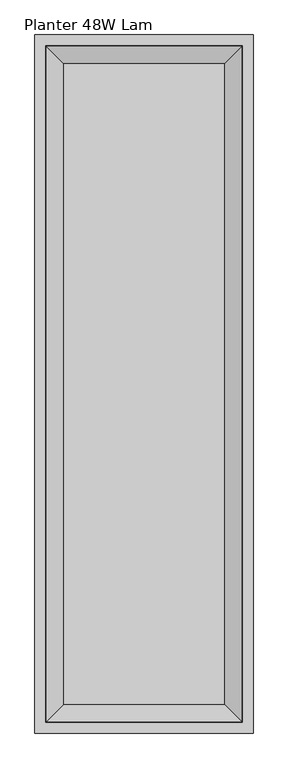
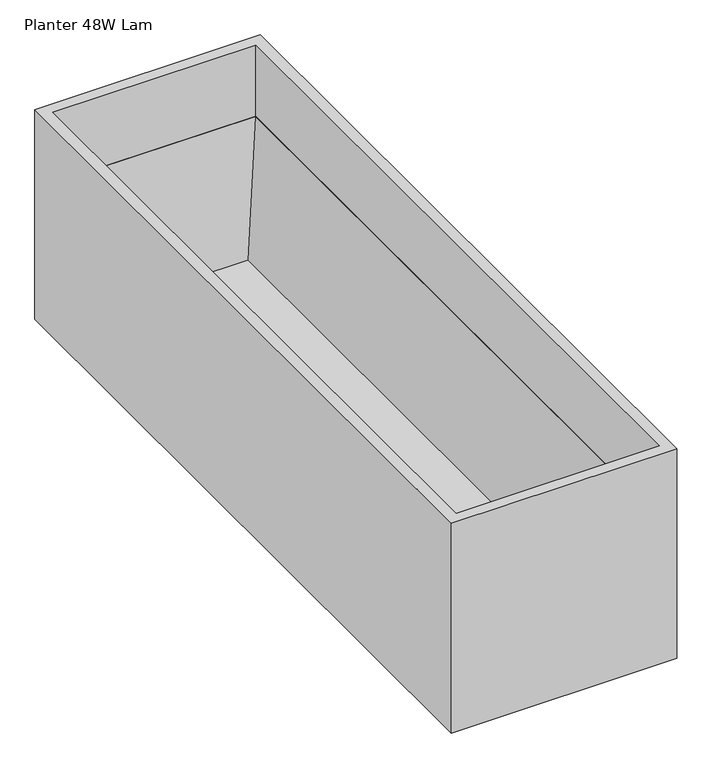
"""IFC4 building model written with IfcOpenShell, lengths in millimetres: furniture geometry, Planter 48W Lam."""

import ifcopenshell
import ifcopenshell.guid

model = None  # the IFC model being written
_history = None  # IfcOwnerHistory: only IFC2X3 demands one
_inside = {}  # id of a spatial element -> (the spatial element, [elements in it])
_under = {}  # id of a project, library or spatial element -> (it, [spatial elements below it])
_declared = {}  # id of a project -> (the project, [libraries it declares])
_typed = {}  # id of a type object -> (the type object, [elements of that type])
_made_of = {}  # id of a material, layer set ... -> (it, [elements and type objects made of it])


def new_model(schema):
    """Start an empty IFC model of exactly this schema.

    Asked for "IFC4X3", IfcOpenShell would pick the latest addendum, in which some entities
    have other attributes; the version numbers below select the first issue.
    IFC2X3 requires an IfcOwnerHistory on every rooted entity: one is made here for all.
    """
    global model, _history
    if schema == "IFC4X3":
        model = ifcopenshell.file(schema_version=(4, 3, 0, 0))
    else:
        model = ifcopenshell.file(schema=schema)
    _inside.clear()
    _under.clear()
    _declared.clear()
    _typed.clear()
    _made_of.clear()
    _history = None
    if model.schema == "IFC2X3":
        org = make("IfcOrganization", Name="unknown")
        user = make(
            "IfcPersonAndOrganization",
            ThePerson=make("IfcPerson", FamilyName="unknown"),
            TheOrganization=org,
        )
        app = make(
            "IfcApplication",
            ApplicationDeveloper=org,
            Version="unknown",
            ApplicationFullName="unknown",
            ApplicationIdentifier="unknown",
        )
        _history = make(
            "IfcOwnerHistory",
            OwningUser=user,
            OwningApplication=app,
            ChangeAction="ADDED",
            CreationDate=0,
        )
    return model


def make(cls, **values):
    """One entity of the class cls with the attributes given. An attribute that is None is left unset."""
    return model.create_entity(
        cls, **{name: value for name, value in values.items() if value is not None}
    )


def rooted(cls, **values):
    """An entity with a GlobalId (a new one), such as an element, a storey or a relation."""
    return make(cls, GlobalId=ifcopenshell.guid.new(), OwnerHistory=_history, **values)


def si_unit(unit_type, name, prefix=None):
    """IfcSIUnit, for example si_unit("LENGTHUNIT", "METRE", prefix="MILLI")."""
    return make("IfcSIUnit", UnitType=unit_type, Prefix=prefix, Name=name)


def assignment(units):
    """IfcUnitAssignment: the units of a project."""
    return None if units is None else make("IfcUnitAssignment", Units=units)


def point(xyz):
    """IfcCartesianPoint."""
    return None if xyz is None else make("IfcCartesianPoint", Coordinates=xyz)


def direction(xyz):
    """IfcDirection."""
    return None if xyz is None else make("IfcDirection", DirectionRatios=xyz)


def frame(location, z_axis=None, x_axis=None):
    """IfcAxis2Placement3D, a coordinate frame: its origin and axes. An axis left out is left unset."""
    return make(
        "IfcAxis2Placement3D",
        Location=point(location),
        Axis=direction(z_axis),
        RefDirection=direction(x_axis),
    )


def origin():
    """The frame at (0, 0, 0) with its axes left unset."""
    return frame((0.0, 0.0, 0.0))


def place(relative_to, where):
    """IfcLocalPlacement: puts the frame where relative to a parent placement (None: the world)."""
    return make(
        "IfcLocalPlacement", PlacementRelTo=relative_to, RelativePlacement=where
    )


def context(
    kind, dimensions, precision=None, world=None, true_north=None, identifier=None
):
    """IfcGeometricRepresentationContext, for example the 3D "Model" context."""
    return make(
        "IfcGeometricRepresentationContext",
        ContextIdentifier=identifier,
        ContextType=kind,
        CoordinateSpaceDimension=dimensions,
        Precision=precision,
        WorldCoordinateSystem=world,
        TrueNorth=true_north,
    )


def project(units=None, contexts=None):
    """IfcProject with its units and contexts."""
    return rooted(
        "IfcProject",
        Name="project",
        RepresentationContexts=contexts,
        UnitsInContext=assignment(units),
    )


def spatial(cls, under=None, at=None, **own):
    """A site, building, storey or space (cls), placed at a placement, below another one or the project."""
    s = rooted(cls, ObjectPlacement=at, **own)
    if under is not None:
        _under.setdefault(under.id(), (under, []))[1].append(s)
    return s


def faces_of(points, faces, orient=None, outer=None):
    """IfcFace entities. A face is a list of loops; a loop is a list of indices into points, from 0.

    orient and outer hold one flag for each loop. By default every Orientation is true, the
    first loop of a face is its IfcFaceOuterBound and the others are IfcFaceBound.
    """
    made = []
    for i, loops in enumerate(faces):
        bounds = []
        for j, loop in enumerate(loops):
            is_outer = j == 0 if outer is None else outer[i][j]
            bounds.append(
                make(
                    "IfcFaceOuterBound" if is_outer else "IfcFaceBound",
                    Bound=make("IfcPolyLoop", Polygon=[points[k] for k in loop]),
                    Orientation=True if orient is None else orient[i][j],
                )
            )
        made.append(make("IfcFace", Bounds=bounds))
    return made


def faceted_brep(points, faces, orient=None, outer=None, voids=None):
    """IfcFacetedBrep: a solid bounded by flat faces; with voids (closed shells), ...WithVoids."""
    shared = [point(p) for p in points]
    hull = make("IfcClosedShell", CfsFaces=faces_of(shared, faces, orient, outer))
    if voids is None:
        return make("IfcFacetedBrep", Outer=hull)
    return make(
        "IfcFacetedBrepWithVoids",
        Outer=hull,
        Voids=[
            make(cls, CfsFaces=faces_of(shared, fs, o, b)) for cls, fs, o, b in voids
        ],
    )


def shape(context_of_items, identifier, shape_type, items):
    """IfcShapeRepresentation: the items that make up one representation, for example the "Body"."""
    return make(
        "IfcShapeRepresentation",
        ContextOfItems=context_of_items,
        RepresentationIdentifier=identifier,
        RepresentationType=shape_type,
        Items=items,
    )


def source(mapping_origin, context_of_items, identifier, shape_type, items):
    """IfcRepresentationMap: a shape defined once, which mapped items show again and again."""
    return make(
        "IfcRepresentationMap",
        MappingOrigin=mapping_origin,
        MappedRepresentation=shape(context_of_items, identifier, shape_type, items),
    )


def transform(
    local_origin,
    x_axis=None,
    y_axis=None,
    z_axis=None,
    scale=None,
    scale2=None,
    scale3=None,
    uniform=True,
):
    """IfcCartesianTransformationOperator3D, or its non-uniform kind. x_axis, y_axis, z_axis: its Axis1, 2, 3."""
    if uniform:
        return make(
            "IfcCartesianTransformationOperator3D",
            Axis1=direction(x_axis),
            Axis2=direction(y_axis),
            LocalOrigin=point(local_origin),
            Scale=scale,
            Axis3=direction(z_axis),
        )
    return make(
        "IfcCartesianTransformationOperator3DnonUniform",
        Axis1=direction(x_axis),
        Axis2=direction(y_axis),
        LocalOrigin=point(local_origin),
        Scale=scale,
        Axis3=direction(z_axis),
        Scale2=scale2,
        Scale3=scale3,
    )


def mapped(mapping_source, mapping_target):
    """IfcMappedItem: shows the shape of a source again, moved by a transform."""
    return make(
        "IfcMappedItem", MappingSource=mapping_source, MappingTarget=mapping_target
    )


def made_of(thing, what):
    """Note that an element or type object is made of a material, layer set ...; save() writes the relation."""
    if what is not None:
        _made_of.setdefault(what.id(), (what, []))[1].append(thing)
    return thing


def element(
    cls,
    number,
    at=None,
    inside=None,
    cuts=None,
    type_object=None,
    material=None,
    context=None,
    identifier="Body",
    shape_type=None,
    held_by="IfcProductDefinitionShape",
    body=None,
    shapes=None,
    **own,
):
    """One element of the class cls, such as IfcWall. Its Tag is "e" and its number.

    at: its placement. inside: the storey or other place that contains it. cuts: it is an
    opening in that element (IfcRelVoidsElement). A single representation is given by context,
    identifier, shape_type and body (its items); several are given by shapes. held_by: the class
    of the entity that holds the representations. save() writes the other relations.
    """
    e = rooted(cls, Tag="e%d" % number, ObjectPlacement=at, **own)
    if body is not None:
        shapes = [shape(context, identifier, shape_type, body)]
    if shapes is not None:
        e.Representation = make(held_by, Representations=shapes)
    if inside is not None:
        _inside.setdefault(inside.id(), (inside, []))[1].append(e)
    if cuts is not None:
        rooted(
            "IfcRelVoidsElement", RelatingBuildingElement=cuts, RelatedOpeningElement=e
        )
    if type_object is not None:
        _typed.setdefault(type_object.id(), (type_object, []))[1].append(e)
    return made_of(e, material)


def aggregate(whole, parts):
    """IfcRelAggregates: a whole, such as a stair, and the parts it consists of."""
    return rooted("IfcRelAggregates", RelatingObject=whole, RelatedObjects=parts)


def save(model, path):
    """Write the relations noted so far, then the file.

    IfcRelAggregates (storeys below a building ...), IfcRelContainedInSpatialStructure (elements
    in a storey), IfcRelDefinesByType, IfcRelAssociatesMaterial and IfcRelDeclares: one each for
    every whole, place, type object, material and project.
    """
    for whole, parts in _under.values():
        aggregate(whole, parts)
    for where, things in _inside.values():
        rooted(
            "IfcRelContainedInSpatialStructure",
            RelatedElements=things,
            RelatingStructure=where,
        )
    for kind, things in _typed.values():
        rooted("IfcRelDefinesByType", RelatedObjects=things, RelatingType=kind)
    for what, things in _made_of.values():
        rooted("IfcRelAssociatesMaterial", RelatedObjects=things, RelatingMaterial=what)
    for by, libraries in _declared.values():
        rooted("IfcRelDeclares", RelatingContext=by, RelatedDefinitions=libraries)
    model.write(path)


def planter_48w_lam_14de4a4b(model_context):
    return source(origin(), model_context, "Body", "Brep", [
        faceted_brep([(381.0, 0.0, 374.6499879), (0.0, 0.0, 374.6499879), (0.0, -1219.2, 374.6499879), (381.0, -1219.2, 374.6499879), (19.05, -19.05, 374.6499879), (361.95, -19.05, 374.6499879), (361.95, -1200.15, 374.6499879), (19.05, -1200.15, 374.6499879), (381.0, 0.0, 0.0), (381.0, -1219.2, 0.0), (0.0, -1219.2, 0.0), (0.0, 0.0, 0.0), (361.95, -19.05, 247.65), (19.05, -19.05, 247.65), (19.05, -1200.15, 247.65), (361.95, -1200.15, 247.65), (19.8119993, -19.8119993, 247.65), (361.1879826, -19.8119993, 247.65), (361.1879826, -1199.3879826, 247.65), (19.8119993, -1199.3879826, 247.65), (331.0922542, -49.9077595, 19.8119993), (49.9077595, -49.9077595, 19.8119993), (49.9077595, -1169.2922178, 19.8119993), (331.0922542, -1169.2922178, 19.8119993)], [[[0, 1, 2, 3], [4, 5, 6, 7]], [[8, 9, 10, 11]], [[1, 0, 8, 11]], [[2, 1, 11, 10]], [[3, 2, 10, 9]], [[0, 3, 9, 8]], [[12, 13, 14, 15], [16, 17, 18, 19]], [[13, 12, 5, 4]], [[14, 13, 4, 7]], [[15, 14, 7, 6]], [[12, 15, 6, 5]], [[20, 21, 22, 23]], [[21, 20, 17, 16]], [[22, 21, 16, 19]], [[23, 22, 19, 18]], [[20, 23, 18, 17]]]),
    ])


if __name__ == "__main__":
    model = new_model("IFC4")
    model_context = context("Model", 3, world=origin())
    ifc_project = project(units=[si_unit("LENGTHUNIT", "METRE", prefix="MILLI")], contexts=[model_context])
    site = spatial("IfcSite", under=ifc_project)
    building = spatial("IfcBuilding", under=site)
    placement = place(None, origin())
    planter_48w_lam_shape = planter_48w_lam_14de4a4b(model_context)
    element("IfcFurniture", 1, ObjectType="Planter 48W Lam", at=placement, inside=building, context=model_context, shape_type="MappedRepresentation", body=[
        mapped(planter_48w_lam_shape, transform((0.0, 0.0, 0.0), x_axis=(1.0, 0.0, 0.0), y_axis=(0.0, 1.0, 0.0), z_axis=(0.0, 0.0, 1.0))),
    ])
    save(model, "model.ifc")
